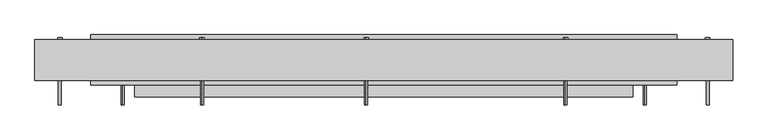
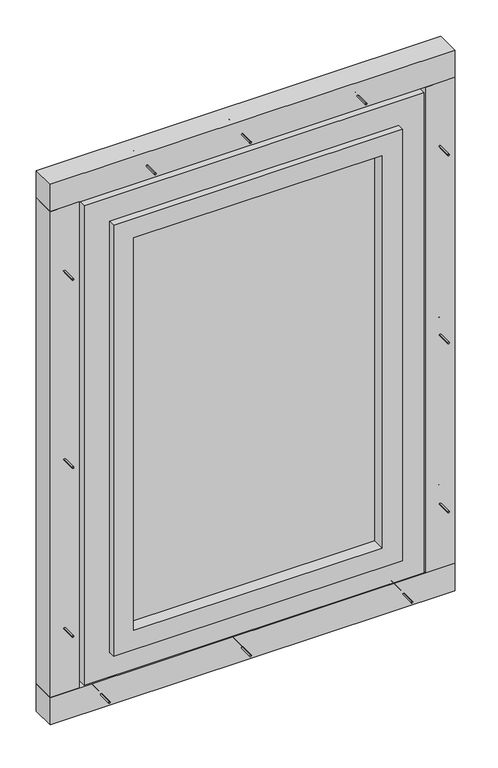
"""IFC4 building model written with IfcOpenShell, lengths in millimetres: proxy geometry."""

from ifc_helpers import new_model, si_unit, point, frame, frame_2d, origin, origin_with_axes, place, context, project, spatial, polyline, circle_curve, trimmed, segment, composite_curve, outline, extrude, source, transform, mapped, element, save


def generic_models_7f7b674d(model_context):
    return source(origin(), model_context, "Body", "SweptSolid", [
        extrude(outline(polyline([(-240.0, 165.0), (-240.0, 175.0), (490.0, 175.0), (490.0, 165.0), (-240.0, 165.0)])), frame((0.0, 0.0, 230.0), z_axis=(0.0, 0.0, 1.0), x_axis=(1.0, 0.0, 0.0)), (0.0, 0.0, 1.0), 1220.0),
        extrude(outline(polyline([(170.0, 550.0), (1510.0, 550.0), (1510.0, -300.0), (170.0, -300.0), (170.0, 550.0)]), holes=[polyline([(1450.0, 490.0), (230.0, 490.0), (230.0, -240.0), (1450.0, -240.0), (1450.0, 490.0)])]), frame((0.0, 127.0, 0.0), z_axis=(0.0, 1.0, 0.0), x_axis=(0.0, 0.0, 1.0)), (0.0, 0.0, 1.0), 86.0),
        extrude(outline(polyline([(95.0, 625.0), (1585.0, 625.0), (1585.0, -375.0), (95.0, -375.0), (95.0, 625.0)]), holes=[polyline([(1510.0, 550.0), (170.0, 550.0), (170.0, -300.0), (1510.0, -300.0), (1510.0, 550.0)])]), frame((0.0, 147.0, 0.0), z_axis=(0.0, 1.0, 0.0), x_axis=(0.0, 0.0, 1.0)), (0.0, 0.0, 1.0), 86.0),
        extrude(outline(composite_curve([segment(trimmed(circle_curve(frame_2d((125.0, 190.0)), 2.4700592), [point((125.0, 187.5299408))], [point((125.0, 192.4700592))], False, "CARTESIAN"), True, "CONTINUOUS"), segment(trimmed(circle_curve(frame_2d((125.0, 190.0)), 2.4700592), [point((125.0, 192.4700592))], [point((125.0, 187.5299408))], False, "CARTESIAN"), True, "CONTINUOUS")], self_intersect=False)), frame((0.0, 0.0, 25.0), z_axis=(0.0, 0.0, 1.0), x_axis=(1.0, 0.0, 0.0)), (0.0, 0.0, 1.0), 145.0),
        extrude(outline(composite_curve([segment(trimmed(circle_curve(frame_2d((125.0, 190.0)), 3.8), [point((125.0, 186.2))], [point((125.0, 193.8))], False, "CARTESIAN"), True, "CONTINUOUS"), segment(trimmed(circle_curve(frame_2d((125.0, 190.0)), 3.8), [point((125.0, 193.8))], [point((125.0, 186.2))], False, "CARTESIAN"), True, "CONTINUOUS")], self_intersect=False)), frame((0.0, 0.0, 170.0), z_axis=(0.0, 0.0, 1.0), x_axis=(1.0, 0.0, 0.0)), (0.0, 0.0, 1.0), 3.0),
        extrude(outline(composite_curve([segment(trimmed(circle_curve(frame_2d((42.5, 95.0)), 2.4700592), [point((44.9700592, 95.0))], [point((40.0299408, 95.0))], False, "CARTESIAN"), True, "CONTINUOUS"), segment(trimmed(circle_curve(frame_2d((42.5, 95.0)), 2.4700592), [point((40.0299408, 95.0))], [point((44.9700592, 95.0))], False, "CARTESIAN"), True, "CONTINUOUS")], self_intersect=False)), frame((0.0, 113.0, 0.0), z_axis=(0.0, 1.0, 0.0), x_axis=(0.0, 0.0, 1.0)), (0.0, 0.0, 1.0), 112.0),
        extrude(outline(composite_curve([segment(trimmed(circle_curve(frame_2d((42.5, 95.0)), 3.8), [point((46.3, 95.0))], [point((38.7, 95.0))], False, "CARTESIAN"), True, "CONTINUOUS"), segment(trimmed(circle_curve(frame_2d((42.5, 95.0)), 3.8), [point((38.7, 95.0))], [point((46.3, 95.0))], False, "CARTESIAN"), True, "CONTINUOUS")], self_intersect=False)), frame((0.0, 225.0, 0.0), z_axis=(0.0, 1.0, 0.0), x_axis=(0.0, 0.0, 1.0)), (0.0, 0.0, 1.0), 3.0),
        extrude(outline(composite_curve([segment(trimmed(circle_curve(frame_2d((42.5, -320.0)), 2.4700592), [point((44.9700592, -320.0))], [point((40.0299408, -320.0))], False, "CARTESIAN"), True, "CONTINUOUS"), segment(trimmed(circle_curve(frame_2d((42.5, -320.0)), 2.4700592), [point((40.0299408, -320.0))], [point((44.9700592, -320.0))], False, "CARTESIAN"), True, "CONTINUOUS")], self_intersect=False)), frame((0.0, 113.0, 0.0), z_axis=(0.0, 1.0, 0.0), x_axis=(0.0, 0.0, 1.0)), (0.0, 0.0, 1.0), 112.0),
        extrude(outline(composite_curve([segment(trimmed(circle_curve(frame_2d((42.5, -320.0)), 3.8), [point((46.3, -320.0))], [point((38.7, -320.0))], False, "CARTESIAN"), True, "CONTINUOUS"), segment(trimmed(circle_curve(frame_2d((42.5, -320.0)), 3.8), [point((38.7, -320.0))], [point((46.3, -320.0))], False, "CARTESIAN"), True, "CONTINUOUS")], self_intersect=False)), frame((0.0, 225.0, 0.0), z_axis=(0.0, 1.0, 0.0), x_axis=(0.0, 0.0, 1.0)), (0.0, 0.0, 1.0), 3.0),
        extrude(outline(composite_curve([segment(trimmed(circle_curve(frame_2d((42.5, 570.0)), 2.4700592), [point((44.9700592, 570.0))], [point((40.0299408, 570.0))], False, "CARTESIAN"), True, "CONTINUOUS"), segment(trimmed(circle_curve(frame_2d((42.5, 570.0)), 2.4700592), [point((40.0299408, 570.0))], [point((44.9700592, 570.0))], False, "CARTESIAN"), True, "CONTINUOUS")], self_intersect=False)), frame((0.0, 113.0, 0.0), z_axis=(0.0, 1.0, 0.0), x_axis=(0.0, 0.0, 1.0)), (0.0, 0.0, 1.0), 112.0),
        extrude(outline(composite_curve([segment(trimmed(circle_curve(frame_2d((42.5, 570.0)), 3.8), [point((46.3, 570.0))], [point((38.7, 570.0))], False, "CARTESIAN"), True, "CONTINUOUS"), segment(trimmed(circle_curve(frame_2d((42.5, 570.0)), 3.8), [point((38.7, 570.0))], [point((46.3, 570.0))], False, "CARTESIAN"), True, "CONTINUOUS")], self_intersect=False)), frame((0.0, 225.0, 0.0), z_axis=(0.0, 1.0, 0.0), x_axis=(0.0, 0.0, 1.0)), (0.0, 0.0, 1.0), 3.0),
        extrude(outline(polyline([(720.0, 155.0), (-470.0, 155.0), (-470.0, 225.0), (720.0, 225.0), (720.0, 155.0)])), origin_with_axes(), (0.0, 0.0, 1.0), 85.0),
        extrude(outline(composite_curve([segment(trimmed(circle_curve(frame_2d((190.0, 320.0)), 2.4700592), [point((187.5299408, 320.0))], [point((192.4700592, 320.0))], False, "CARTESIAN"), True, "CONTINUOUS"), segment(trimmed(circle_curve(frame_2d((190.0, 320.0)), 2.4700592), [point((192.4700592, 320.0))], [point((187.5299408, 320.0))], False, "CARTESIAN"), True, "CONTINUOUS")], self_intersect=False)), frame((-445.0, 0.0, 0.0), z_axis=(1.0, 0.0, 0.0), x_axis=(0.0, 1.0, 0.0)), (0.0, 0.0, 1.0), 145.0),
        extrude(outline(composite_curve([segment(trimmed(circle_curve(frame_2d((190.0, 320.0)), 3.8), [point((186.2, 320.0))], [point((193.8, 320.0))], False, "CARTESIAN"), True, "CONTINUOUS"), segment(trimmed(circle_curve(frame_2d((190.0, 320.0)), 3.8), [point((193.8, 320.0))], [point((186.2, 320.0))], False, "CARTESIAN"), True, "CONTINUOUS")], self_intersect=False)), frame((-300.0, 0.0, 0.0), z_axis=(1.0, 0.0, 0.0), x_axis=(0.0, 1.0, 0.0)), (0.0, 0.0, 1.0), 3.0),
        extrude(outline(composite_curve([segment(trimmed(circle_curve(frame_2d((190.0, 1360.0)), 2.4700592), [point((187.5299408, 1360.0))], [point((192.4700592, 1360.0))], False, "CARTESIAN"), True, "CONTINUOUS"), segment(trimmed(circle_curve(frame_2d((190.0, 1360.0)), 2.4700592), [point((192.4700592, 1360.0))], [point((187.5299408, 1360.0))], False, "CARTESIAN"), True, "CONTINUOUS")], self_intersect=False)), frame((-445.0, 0.0, 0.0), z_axis=(1.0, 0.0, 0.0), x_axis=(0.0, 1.0, 0.0)), (0.0, 0.0, 1.0), 145.0),
        extrude(outline(composite_curve([segment(trimmed(circle_curve(frame_2d((190.0, 1360.0)), 3.8), [point((186.2, 1360.0))], [point((193.8, 1360.0))], False, "CARTESIAN"), True, "CONTINUOUS"), segment(trimmed(circle_curve(frame_2d((190.0, 1360.0)), 3.8), [point((193.8, 1360.0))], [point((186.2, 1360.0))], False, "CARTESIAN"), True, "CONTINUOUS")], self_intersect=False)), frame((-300.0, 0.0, 0.0), z_axis=(1.0, 0.0, 0.0), x_axis=(0.0, 1.0, 0.0)), (0.0, 0.0, 1.0), 3.0),
        extrude(outline(composite_curve([segment(trimmed(circle_curve(frame_2d((810.0, -427.5)), 2.4700592), [point((810.0, -429.9700592))], [point((810.0, -425.0299408))], False, "CARTESIAN"), True, "CONTINUOUS"), segment(trimmed(circle_curve(frame_2d((810.0, -427.5)), 2.4700592), [point((810.0, -425.0299408))], [point((810.0, -429.9700592))], False, "CARTESIAN"), True, "CONTINUOUS")], self_intersect=False)), frame((0.0, 113.0, 0.0), z_axis=(0.0, 1.0, 0.0), x_axis=(0.0, 0.0, 1.0)), (0.0, 0.0, 1.0), 112.0),
        extrude(outline(composite_curve([segment(trimmed(circle_curve(frame_2d((810.0, -427.5)), 3.8), [point((810.0, -431.3))], [point((810.0, -423.7))], False, "CARTESIAN"), True, "CONTINUOUS"), segment(trimmed(circle_curve(frame_2d((810.0, -427.5)), 3.8), [point((810.0, -423.7))], [point((810.0, -431.3))], False, "CARTESIAN"), True, "CONTINUOUS")], self_intersect=False)), frame((0.0, 225.0, 0.0), z_axis=(0.0, 1.0, 0.0), x_axis=(0.0, 0.0, 1.0)), (0.0, 0.0, 1.0), 3.0),
        extrude(outline(composite_curve([segment(trimmed(circle_curve(frame_2d((190.0, 840.0)), 2.4700592), [point((187.5299408, 840.0))], [point((192.4700592, 840.0))], False, "CARTESIAN"), True, "CONTINUOUS"), segment(trimmed(circle_curve(frame_2d((190.0, 840.0)), 2.4700592), [point((192.4700592, 840.0))], [point((187.5299408, 840.0))], False, "CARTESIAN"), True, "CONTINUOUS")], self_intersect=False)), frame((-445.0, 0.0, 0.0), z_axis=(1.0, 0.0, 0.0), x_axis=(0.0, 1.0, 0.0)), (0.0, 0.0, 1.0), 145.0),
        extrude(outline(composite_curve([segment(trimmed(circle_curve(frame_2d((190.0, 840.0)), 3.8), [point((186.2, 840.0))], [point((193.8, 840.0))], False, "CARTESIAN"), True, "CONTINUOUS"), segment(trimmed(circle_curve(frame_2d((190.0, 840.0)), 3.8), [point((193.8, 840.0))], [point((186.2, 840.0))], False, "CARTESIAN"), True, "CONTINUOUS")], self_intersect=False)), frame((-300.0, 0.0, 0.0), z_axis=(1.0, 0.0, 0.0), x_axis=(0.0, 1.0, 0.0)), (0.0, 0.0, 1.0), 3.0),
        extrude(outline(composite_curve([segment(trimmed(circle_curve(frame_2d((1395.0, -427.5)), 2.4700592), [point((1395.0, -429.9700592))], [point((1395.0, -425.0299408))], False, "CARTESIAN"), True, "CONTINUOUS"), segment(trimmed(circle_curve(frame_2d((1395.0, -427.5)), 2.4700592), [point((1395.0, -425.0299408))], [point((1395.0, -429.9700592))], False, "CARTESIAN"), True, "CONTINUOUS")], self_intersect=False)), frame((0.0, 113.0, 0.0), z_axis=(0.0, 1.0, 0.0), x_axis=(0.0, 0.0, 1.0)), (0.0, 0.0, 1.0), 112.0),
        extrude(outline(composite_curve([segment(trimmed(circle_curve(frame_2d((1395.0, -427.5)), 3.8), [point((1395.0, -431.3))], [point((1395.0, -423.7))], False, "CARTESIAN"), True, "CONTINUOUS"), segment(trimmed(circle_curve(frame_2d((1395.0, -427.5)), 3.8), [point((1395.0, -423.7))], [point((1395.0, -431.3))], False, "CARTESIAN"), True, "CONTINUOUS")], self_intersect=False)), frame((0.0, 225.0, 0.0), z_axis=(0.0, 1.0, 0.0), x_axis=(0.0, 0.0, 1.0)), (0.0, 0.0, 1.0), 3.0),
        extrude(outline(composite_curve([segment(trimmed(circle_curve(frame_2d((285.0, -427.5)), 2.4700592), [point((285.0, -429.9700592))], [point((285.0, -425.0299408))], False, "CARTESIAN"), True, "CONTINUOUS"), segment(trimmed(circle_curve(frame_2d((285.0, -427.5)), 2.4700592), [point((285.0, -425.0299408))], [point((285.0, -429.9700592))], False, "CARTESIAN"), True, "CONTINUOUS")], self_intersect=False)), frame((0.0, 113.0, 0.0), z_axis=(0.0, 1.0, 0.0), x_axis=(0.0, 0.0, 1.0)), (0.0, 0.0, 1.0), 112.0),
        extrude(outline(composite_curve([segment(trimmed(circle_curve(frame_2d((285.0, -427.5)), 3.8), [point((285.0, -431.3))], [point((285.0, -423.7))], False, "CARTESIAN"), True, "CONTINUOUS"), segment(trimmed(circle_curve(frame_2d((285.0, -427.5)), 3.8), [point((285.0, -423.7))], [point((285.0, -431.3))], False, "CARTESIAN"), True, "CONTINUOUS")], self_intersect=False)), frame((0.0, 225.0, 0.0), z_axis=(0.0, 1.0, 0.0), x_axis=(0.0, 0.0, 1.0)), (0.0, 0.0, 1.0), 3.0),
        extrude(outline(polyline([(-470.0, 155.0), (-470.0, 225.0), (-385.0, 225.0), (-385.0, 155.0), (-470.0, 155.0)])), frame((0.0, 0.0, 85.0), z_axis=(0.0, 0.0, 1.0), x_axis=(1.0, 0.0, 0.0)), (0.0, 0.0, 1.0), 1510.0),
        extrude(outline(composite_curve([segment(trimmed(circle_curve(frame_2d((190.0, 320.0)), 2.4700592), [point((187.5299408, 320.0))], [point((192.4700592, 320.0))], False, "CARTESIAN"), True, "CONTINUOUS"), segment(trimmed(circle_curve(frame_2d((190.0, 320.0)), 2.4700592), [point((192.4700592, 320.0))], [point((187.5299408, 320.0))], False, "CARTESIAN"), True, "CONTINUOUS")], self_intersect=False)), frame((550.0, 0.0, 0.0), z_axis=(1.0, 0.0, 0.0), x_axis=(0.0, 1.0, 0.0)), (0.0, 0.0, 1.0), 145.0),
        extrude(outline(composite_curve([segment(trimmed(circle_curve(frame_2d((190.0, 320.0)), 3.8), [point((186.2, 320.0))], [point((193.8, 320.0))], False, "CARTESIAN"), True, "CONTINUOUS"), segment(trimmed(circle_curve(frame_2d((190.0, 320.0)), 3.8), [point((193.8, 320.0))], [point((186.2, 320.0))], False, "CARTESIAN"), True, "CONTINUOUS")], self_intersect=False)), frame((547.0, 0.0, 0.0), z_axis=(1.0, 0.0, 0.0), x_axis=(0.0, 1.0, 0.0)), (0.0, 0.0, 1.0), 3.0),
        extrude(outline(composite_curve([segment(trimmed(circle_curve(frame_2d((190.0, 1360.0)), 2.4700592), [point((187.5299408, 1360.0))], [point((192.4700592, 1360.0))], False, "CARTESIAN"), True, "CONTINUOUS"), segment(trimmed(circle_curve(frame_2d((190.0, 1360.0)), 2.4700592), [point((192.4700592, 1360.0))], [point((187.5299408, 1360.0))], False, "CARTESIAN"), True, "CONTINUOUS")], self_intersect=False)), frame((550.0, 0.0, 0.0), z_axis=(1.0, 0.0, 0.0), x_axis=(0.0, 1.0, 0.0)), (0.0, 0.0, 1.0), 145.0),
        extrude(outline(composite_curve([segment(trimmed(circle_curve(frame_2d((190.0, 1360.0)), 3.8), [point((186.2, 1360.0))], [point((193.8, 1360.0))], False, "CARTESIAN"), True, "CONTINUOUS"), segment(trimmed(circle_curve(frame_2d((190.0, 1360.0)), 3.8), [point((193.8, 1360.0))], [point((186.2, 1360.0))], False, "CARTESIAN"), True, "CONTINUOUS")], self_intersect=False)), frame((547.0, 0.0, 0.0), z_axis=(1.0, 0.0, 0.0), x_axis=(0.0, 1.0, 0.0)), (0.0, 0.0, 1.0), 3.0),
        extrude(outline(composite_curve([segment(trimmed(circle_curve(frame_2d((810.0, 677.5)), 2.4700592), [point((810.0, 679.9700592))], [point((810.0, 675.0299408))], False, "CARTESIAN"), True, "CONTINUOUS"), segment(trimmed(circle_curve(frame_2d((810.0, 677.5)), 2.4700592), [point((810.0, 675.0299408))], [point((810.0, 679.9700592))], False, "CARTESIAN"), True, "CONTINUOUS")], self_intersect=False)), frame((0.0, 113.0, 0.0), z_axis=(0.0, 1.0, 0.0), x_axis=(0.0, 0.0, 1.0)), (0.0, 0.0, 1.0), 112.0),
        extrude(outline(composite_curve([segment(trimmed(circle_curve(frame_2d((810.0, 677.5)), 3.8), [point((810.0, 681.3))], [point((810.0, 673.7))], False, "CARTESIAN"), True, "CONTINUOUS"), segment(trimmed(circle_curve(frame_2d((810.0, 677.5)), 3.8), [point((810.0, 673.7))], [point((810.0, 681.3))], False, "CARTESIAN"), True, "CONTINUOUS")], self_intersect=False)), frame((0.0, 225.0, 0.0), z_axis=(0.0, 1.0, 0.0), x_axis=(0.0, 0.0, 1.0)), (0.0, 0.0, 1.0), 3.0),
        extrude(outline(composite_curve([segment(trimmed(circle_curve(frame_2d((190.0, 840.0)), 2.4700592), [point((187.5299408, 840.0))], [point((192.4700592, 840.0))], False, "CARTESIAN"), True, "CONTINUOUS"), segment(trimmed(circle_curve(frame_2d((190.0, 840.0)), 2.4700592), [point((192.4700592, 840.0))], [point((187.5299408, 840.0))], False, "CARTESIAN"), True, "CONTINUOUS")], self_intersect=False)), frame((550.0, 0.0, 0.0), z_axis=(1.0, 0.0, 0.0), x_axis=(0.0, 1.0, 0.0)), (0.0, 0.0, 1.0), 145.0),
        extrude(outline(composite_curve([segment(trimmed(circle_curve(frame_2d((190.0, 840.0)), 3.8), [point((186.2, 840.0))], [point((193.8, 840.0))], False, "CARTESIAN"), True, "CONTINUOUS"), segment(trimmed(circle_curve(frame_2d((190.0, 840.0)), 3.8), [point((193.8, 840.0))], [point((186.2, 840.0))], False, "CARTESIAN"), True, "CONTINUOUS")], self_intersect=False)), frame((547.0, 0.0, 0.0), z_axis=(1.0, 0.0, 0.0), x_axis=(0.0, 1.0, 0.0)), (0.0, 0.0, 1.0), 3.0),
        extrude(outline(composite_curve([segment(trimmed(circle_curve(frame_2d((1395.0, 677.5)), 2.4700592), [point((1395.0, 679.9700592))], [point((1395.0, 675.0299408))], False, "CARTESIAN"), True, "CONTINUOUS"), segment(trimmed(circle_curve(frame_2d((1395.0, 677.5)), 2.4700592), [point((1395.0, 675.0299408))], [point((1395.0, 679.9700592))], False, "CARTESIAN"), True, "CONTINUOUS")], self_intersect=False)), frame((0.0, 113.0, 0.0), z_axis=(0.0, 1.0, 0.0), x_axis=(0.0, 0.0, 1.0)), (0.0, 0.0, 1.0), 112.0),
        extrude(outline(composite_curve([segment(trimmed(circle_curve(frame_2d((1395.0, 677.5)), 3.8), [point((1395.0, 681.3))], [point((1395.0, 673.7))], False, "CARTESIAN"), True, "CONTINUOUS"), segment(trimmed(circle_curve(frame_2d((1395.0, 677.5)), 3.8), [point((1395.0, 673.7))], [point((1395.0, 681.3))], False, "CARTESIAN"), True, "CONTINUOUS")], self_intersect=False)), frame((0.0, 225.0, 0.0), z_axis=(0.0, 1.0, 0.0), x_axis=(0.0, 0.0, 1.0)), (0.0, 0.0, 1.0), 3.0),
        extrude(outline(composite_curve([segment(trimmed(circle_curve(frame_2d((285.0, 677.5)), 2.4700592), [point((285.0, 679.9700592))], [point((285.0, 675.0299408))], False, "CARTESIAN"), True, "CONTINUOUS"), segment(trimmed(circle_curve(frame_2d((285.0, 677.5)), 2.4700592), [point((285.0, 675.0299408))], [point((285.0, 679.9700592))], False, "CARTESIAN"), True, "CONTINUOUS")], self_intersect=False)), frame((0.0, 113.0, 0.0), z_axis=(0.0, 1.0, 0.0), x_axis=(0.0, 0.0, 1.0)), (0.0, 0.0, 1.0), 112.0),
        extrude(outline(composite_curve([segment(trimmed(circle_curve(frame_2d((285.0, 677.5)), 3.8), [point((285.0, 681.3))], [point((285.0, 673.7))], False, "CARTESIAN"), True, "CONTINUOUS"), segment(trimmed(circle_curve(frame_2d((285.0, 677.5)), 3.8), [point((285.0, 673.7))], [point((285.0, 681.3))], False, "CARTESIAN"), True, "CONTINUOUS")], self_intersect=False)), frame((0.0, 225.0, 0.0), z_axis=(0.0, 1.0, 0.0), x_axis=(0.0, 0.0, 1.0)), (0.0, 0.0, 1.0), 3.0),
        extrude(outline(polyline([(720.0, 155.0), (635.0, 155.0), (635.0, 225.0), (720.0, 225.0), (720.0, 155.0)])), frame((0.0, 0.0, 85.0), z_axis=(0.0, 0.0, 1.0), x_axis=(1.0, 0.0, 0.0)), (0.0, 0.0, 1.0), 1510.0),
        extrude(outline(composite_curve([segment(trimmed(circle_curve(frame_2d((1637.5, 95.0)), 2.4700592), [point((1639.9700592, 95.0))], [point((1635.0299408, 95.0))], False, "CARTESIAN"), True, "CONTINUOUS"), segment(trimmed(circle_curve(frame_2d((1637.5, 95.0)), 2.4700592), [point((1635.0299408, 95.0))], [point((1639.9700592, 95.0))], False, "CARTESIAN"), True, "CONTINUOUS")], self_intersect=False)), frame((0.0, 113.0, 0.0), z_axis=(0.0, 1.0, 0.0), x_axis=(0.0, 0.0, 1.0)), (0.0, 0.0, 1.0), 112.0),
        extrude(outline(composite_curve([segment(trimmed(circle_curve(frame_2d((1637.5, 95.0)), 3.8), [point((1641.3, 95.0))], [point((1633.7, 95.0))], False, "CARTESIAN"), True, "CONTINUOUS"), segment(trimmed(circle_curve(frame_2d((1637.5, 95.0)), 3.8), [point((1633.7, 95.0))], [point((1641.3, 95.0))], False, "CARTESIAN"), True, "CONTINUOUS")], self_intersect=False)), frame((0.0, 225.0, 0.0), z_axis=(0.0, 1.0, 0.0), x_axis=(0.0, 0.0, 1.0)), (0.0, 0.0, 1.0), 3.0),
        extrude(outline(composite_curve([segment(trimmed(circle_curve(frame_2d((125.0, 190.0)), 2.4700592), [point((125.0, 187.5299408))], [point((125.0, 192.4700592))], False, "CARTESIAN"), True, "CONTINUOUS"), segment(trimmed(circle_curve(frame_2d((125.0, 190.0)), 2.4700592), [point((125.0, 192.4700592))], [point((125.0, 187.5299408))], False, "CARTESIAN"), True, "CONTINUOUS")], self_intersect=False)), frame((0.0, 0.0, 1510.0), z_axis=(0.0, 0.0, 1.0), x_axis=(1.0, 0.0, 0.0)), (0.0, 0.0, 1.0), 145.0),
        extrude(outline(composite_curve([segment(trimmed(circle_curve(frame_2d((125.0, 190.0)), 3.8), [point((125.0, 186.2))], [point((125.0, 193.8))], False, "CARTESIAN"), True, "CONTINUOUS"), segment(trimmed(circle_curve(frame_2d((125.0, 190.0)), 3.8), [point((125.0, 193.8))], [point((125.0, 186.2))], False, "CARTESIAN"), True, "CONTINUOUS")], self_intersect=False)), frame((0.0, 0.0, 1507.0), z_axis=(0.0, 0.0, 1.0), x_axis=(1.0, 0.0, 0.0)), (0.0, 0.0, 1.0), 3.0),
        extrude(outline(composite_curve([segment(trimmed(circle_curve(frame_2d((1637.5, -185.0)), 2.4700592), [point((1639.9700592, -185.0))], [point((1635.0299408, -185.0))], False, "CARTESIAN"), True, "CONTINUOUS"), segment(trimmed(circle_curve(frame_2d((1637.5, -185.0)), 2.4700592), [point((1635.0299408, -185.0))], [point((1639.9700592, -185.0))], False, "CARTESIAN"), True, "CONTINUOUS")], self_intersect=False)), frame((0.0, 113.0, 0.0), z_axis=(0.0, 1.0, 0.0), x_axis=(0.0, 0.0, 1.0)), (0.0, 0.0, 1.0), 112.0),
        extrude(outline(composite_curve([segment(trimmed(circle_curve(frame_2d((1637.5, -185.0)), 3.8), [point((1641.3, -185.0))], [point((1633.7, -185.0))], False, "CARTESIAN"), True, "CONTINUOUS"), segment(trimmed(circle_curve(frame_2d((1637.5, -185.0)), 3.8), [point((1633.7, -185.0))], [point((1641.3, -185.0))], False, "CARTESIAN"), True, "CONTINUOUS")], self_intersect=False)), frame((0.0, 225.0, 0.0), z_axis=(0.0, 1.0, 0.0), x_axis=(0.0, 0.0, 1.0)), (0.0, 0.0, 1.0), 3.0),
        extrude(outline(composite_curve([segment(trimmed(circle_curve(frame_2d((1637.5, 435.0)), 2.4700592), [point((1639.9700592, 435.0))], [point((1635.0299408, 435.0))], False, "CARTESIAN"), True, "CONTINUOUS"), segment(trimmed(circle_curve(frame_2d((1637.5, 435.0)), 2.4700592), [point((1635.0299408, 435.0))], [point((1639.9700592, 435.0))], False, "CARTESIAN"), True, "CONTINUOUS")], self_intersect=False)), frame((0.0, 113.0, 0.0), z_axis=(0.0, 1.0, 0.0), x_axis=(0.0, 0.0, 1.0)), (0.0, 0.0, 1.0), 112.0),
        extrude(outline(composite_curve([segment(trimmed(circle_curve(frame_2d((1637.5, 435.0)), 3.8), [point((1641.3, 435.0))], [point((1633.7, 435.0))], False, "CARTESIAN"), True, "CONTINUOUS"), segment(trimmed(circle_curve(frame_2d((1637.5, 435.0)), 3.8), [point((1633.7, 435.0))], [point((1641.3, 435.0))], False, "CARTESIAN"), True, "CONTINUOUS")], self_intersect=False)), frame((0.0, 225.0, 0.0), z_axis=(0.0, 1.0, 0.0), x_axis=(0.0, 0.0, 1.0)), (0.0, 0.0, 1.0), 3.0),
        extrude(outline(polyline([(720.0, 155.0), (-470.0, 155.0), (-470.0, 225.0), (720.0, 225.0), (720.0, 155.0)])), frame((0.0, 0.0, 1595.0), z_axis=(0.0, 0.0, 1.0), x_axis=(1.0, 0.0, 0.0)), (0.0, 0.0, 1.0), 85.0),
    ])


if __name__ == "__main__":
    model = new_model("IFC4")
    model_context = context("Model", 3, world=origin())
    ifc_project = project(units=[si_unit("LENGTHUNIT", "METRE", prefix="MILLI")], contexts=[model_context])
    site = spatial("IfcSite", under=ifc_project)
    building = spatial("IfcBuilding", under=site)
    placement = place(None, origin())
    generic_models_shape = generic_models_7f7b674d(model_context)
    element("IfcBuildingElementProxy", 1, Name="Generic Models", at=placement, inside=building, context=model_context, shape_type="MappedRepresentation", body=[
        mapped(generic_models_shape, transform((0.0, 0.0, 0.0), x_axis=(1.0, 0.0, 0.0), y_axis=(0.0, 1.0, 0.0), z_axis=(0.0, 0.0, 1.0))),
    ])
    save(model, "model.ifc")
